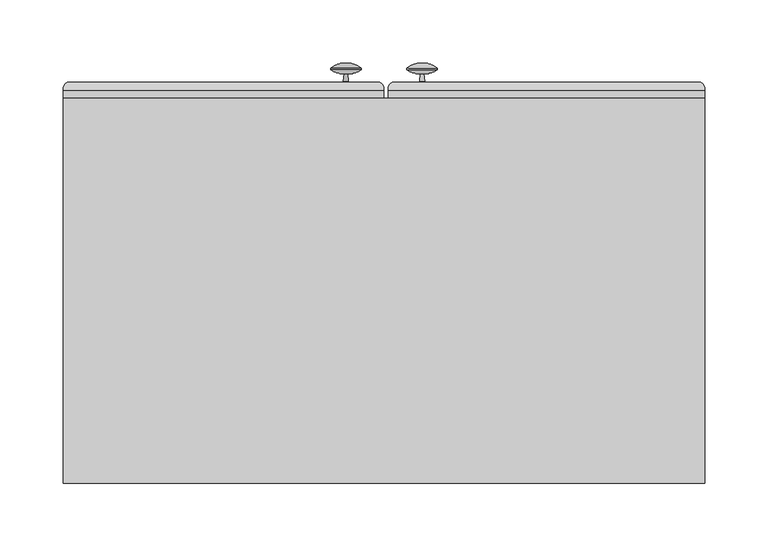
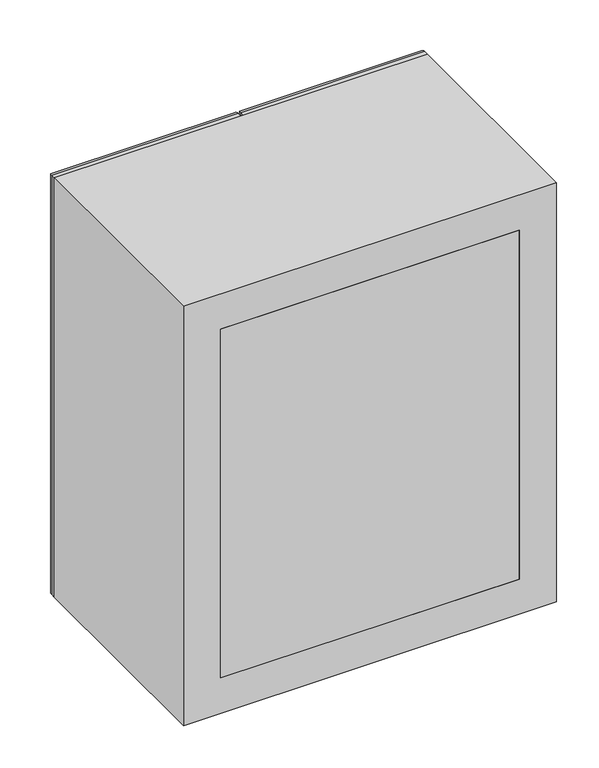
"""IFC4 building model written with IfcOpenShell, lengths in millimetres: furniture geometry."""

from ifc_helpers import new_model, si_unit, point, frame, frame_2d, origin, place, context, project, spatial, polyline, circle_curve, ellipse_curve, trimmed, segment, composite_curve, outline, extrude, source, transform, mapped, element, save
from ifc_brep_helpers import plane_surface, cylinder_surface, revolved_surface, advanced_brep


def furniture_5b2b3ca4(model_context):
    return source(origin(), model_context, "Body", "SolidModel", [
        extrude(outline(polyline([(-274.7654395, 358.775), (131.6345605, 358.775), (131.6345605, 352.425), (-274.7654395, 352.425), (-274.7654395, 358.775)])), frame((0.0, 0.0, 1574.8), z_axis=(0.0, 0.0, 1.0), x_axis=(1.0, 0.0, 0.0)), (0.0, 0.0, 1.0), 501.65),
        extrude(outline(polyline([(131.6345605, 53.975), (-274.7654395, 53.975), (-274.7654395, 73.025), (131.6345605, 73.025), (131.6345605, 53.975)])), frame((0.0, 0.0, 1574.8), z_axis=(0.0, 0.0, 1.0), x_axis=(1.0, 0.0, 0.0)), (0.0, 0.0, 1.0), 501.65),
        extrude(outline(polyline([(2127.25, -325.5654395), (1524.0, -325.5654395), (1524.0, 182.4345605), (2127.25, 182.4345605), (2127.25, -325.5654395)]), holes=[polyline([(2076.45, -274.7654395), (2076.45, 131.6345605), (1574.8, 131.6345605), (1574.8, -274.7654395), (2076.45, -274.7654395)])]), frame((0.0, 53.975, 0.0), z_axis=(0.0, 1.0, 0.0), x_axis=(0.0, 0.0, 1.0)), (0.0, 0.0, 1.0), 304.8),
        extrude(outline(composite_curve([segment(trimmed(circle_curve(frame_2d((-298.4199247, 365.7269975)), 7.0487113), [point((-294.3401211, 371.475))], [point((-291.3969674, 365.125))], False, "CARTESIAN"), True, "CONTINUOUS"), segment(polyline([(-291.3969674, 365.125), (-291.3969674, 358.775), (-310.4469674, 358.775), (-310.4469674, 365.125)]), True, "CONTINUOUS"), segment(trimmed(circle_curve(frame_2d((-303.4240101, 365.7269975)), 7.0487113), [point((-310.4469674, 365.125))], [point((-307.5038137, 371.475))], False, "CARTESIAN"), True, "CONTINUOUS"), segment(polyline([(-307.5038137, 371.475), (-294.3401211, 371.475)]), True, "CONTINUOUS")], self_intersect=False)), frame((0.0, 0.0, 1569.2911459), z_axis=(0.0, 0.0, 1.0), x_axis=(1.0, 0.0, 0.0)), (0.0, 0.0, 1.0), 510.2809368),
        extrude(outline(composite_curve([segment(polyline([(371.475, 1834.7342241), (371.475, 1821.5705316)]), True, "CONTINUOUS"), segment(trimmed(circle_curve(frame_2d((365.7269975, 1825.6503351)), 7.0487113), [point((371.475, 1821.5705316))], [point((365.125, 1818.6273778))], False, "CARTESIAN"), True, "CONTINUOUS"), segment(polyline([(365.125, 1818.6273778), (358.775, 1818.6273778), (358.775, 1837.6773778), (365.125, 1837.6773778)]), True, "CONTINUOUS"), segment(trimmed(circle_curve(frame_2d((365.7269975, 1830.6544205)), 7.0487113), [point((365.125, 1837.6773778))], [point((371.475, 1834.7342241))], False, "CARTESIAN"), True, "CONTINUOUS")], self_intersect=False)), frame((-277.9155794, 0.0, 0.0), z_axis=(1.0, 0.0, 0.0), x_axis=(0.0, 1.0, 0.0)), (0.0, 0.0, 1.0), 158.7002798),
        extrude(outline(composite_curve([segment(polyline([(371.475, 1834.9261538), (371.475, 1821.7624613)]), True, "CONTINUOUS"), segment(trimmed(circle_curve(frame_2d((365.7269975, 1825.8422648)), 7.0487113), [point((371.475, 1821.7624613))], [point((365.125, 1818.8193075))], False, "CARTESIAN"), True, "CONTINUOUS"), segment(polyline([(365.125, 1818.8193075), (358.775, 1818.8193075), (358.775, 1837.8693075), (365.125, 1837.8693075)]), True, "CONTINUOUS"), segment(trimmed(circle_curve(frame_2d((365.7269975, 1830.8463502)), 7.0487113), [point((365.125, 1837.8693075))], [point((371.475, 1834.9261538))], False, "CARTESIAN"), True, "CONTINUOUS")], self_intersect=False)), frame((-20.7654395, 0.0, 0.0), z_axis=(1.0, 0.0, 0.0), x_axis=(0.0, 1.0, 0.0)), (0.0, 0.0, 1.0), 155.575),
        extrude(outline(composite_curve([segment(trimmed(circle_curve(frame_2d((161.6134605, 365.7269975)), 7.0487113), [point((165.6932641, 371.475))], [point((168.6364178, 365.125))], False, "CARTESIAN"), True, "CONTINUOUS"), segment(polyline([(168.6364178, 365.125), (168.6364178, 358.775), (149.5864178, 358.775), (149.5864178, 365.125)]), True, "CONTINUOUS"), segment(trimmed(circle_curve(frame_2d((156.6093751, 365.7269975)), 7.0487113), [point((149.5864178, 365.125))], [point((152.5295715, 371.475))], False, "CARTESIAN"), True, "CONTINUOUS"), segment(polyline([(152.5295715, 371.475), (165.6932641, 371.475)]), True, "CONTINUOUS")], self_intersect=False)), frame((0.0, 0.0, 1571.625), z_axis=(0.0, 0.0, 1.0), x_axis=(1.0, 0.0, 0.0)), (0.0, 0.0, 1.0), 508.0),
        advanced_brep(
        [(-71.5902996, 365.125, 1524.0248601), (-74.7652996, 371.475, 1527.1998601), (-74.7652996, 371.475, 2124.0501399), (-71.5902996, 365.125, 2127.2251399), (-71.5902996, 358.775, 1524.0248601), (-71.5902996, 358.775, 2127.2251399), (-122.3902996, 365.125, 1574.8248601), (-122.3902996, 358.775, 1574.8248601), (-122.3902996, 358.775, 2076.4251399), (-122.3902996, 365.125, 2076.4251399), (-119.2152996, 371.475, 1571.6498601), (-119.2152996, 371.475, 2079.6001399), (-322.3655794, 371.475, 2124.0501399), (-325.5405794, 365.125, 2127.2251399), (-325.5405794, 358.775, 2127.2251399), (-274.7405794, 358.775, 2076.4251399), (-274.7405794, 365.125, 2076.4251399), (-277.9155794, 371.475, 2079.6001399), (-322.3655794, 371.475, 1527.1998601), (-325.5405794, 365.125, 1524.0248601), (-325.5405794, 358.775, 1524.0248601), (-274.7405794, 358.775, 1574.8248601), (-274.7405794, 365.125, 1574.8248601), (-277.9155794, 371.475, 1571.6498601)],
        [
            (0, 1, ellipse_curve(frame((-78.3659006, 365.7059495, 1530.8004611), z_axis=(0.7071067811865475, 0.0, 0.7071067811865475), x_axis=(0.7071067811865474, 0.0, -0.7071067811865476)), 9.6173043, 6.8004611)),
            (1, 2),
            (2, 3, ellipse_curve(frame((-78.3659006, 365.7059495, 2120.4495389), z_axis=(0.7071067811865475, 0.0, -0.7071067811865475), x_axis=(-0.7071067811865474, 0.0, -0.7071067811865476)), 9.6173043, 6.8004611)),
            (3, 0),
            (4, 0),
            (3, 5),
            (5, 4),
            (6, 7),
            (7, 8),
            (8, 9),
            (9, 6),
            (10, 6, ellipse_curve(frame((-115.6146986, 365.7059495, 1568.0492591), z_axis=(0.7071067811865475, 0.0, 0.7071067811865475), x_axis=(0.7071067811865474, 0.0, -0.7071067811865476)), 9.6173043, 6.8004611)),
            (9, 11, ellipse_curve(frame((-115.6146986, 365.7059495, 2083.2007409), z_axis=(0.7071067811865475, 0.0, -0.7071067811865475), x_axis=(-0.7071067811865474, 0.0, -0.7071067811865476)), 9.6173043, 6.8004611)),
            (11, 10),
            (2, 12),
            (12, 13, ellipse_curve(frame((-318.7649784, 365.7059495, 2120.4495389), z_axis=(0.7071067811865475, 0.0, 0.7071067811865475), x_axis=(0.7071067811865476, 0.0, -0.7071067811865474)), 9.6173043, 6.8004611)),
            (13, 3),
            (13, 14),
            (14, 5),
            (8, 15),
            (15, 16),
            (16, 9),
            (16, 17, ellipse_curve(frame((-281.5161804, 365.7059495, 2083.2007409), z_axis=(0.7071067811865475, 0.0, 0.7071067811865475), x_axis=(0.7071067811865476, 0.0, -0.7071067811865474)), 9.6173043, 6.8004611)),
            (17, 11),
            (12, 18),
            (18, 19, ellipse_curve(frame((-318.7649784, 365.7059495, 1530.8004611), z_axis=(-0.7071067811865475, 0.0, 0.7071067811865475), x_axis=(0.7071067811865474, 0.0, 0.7071067811865476)), 9.6173043, 6.8004611)),
            (19, 13),
            (19, 20),
            (20, 14),
            (15, 21),
            (21, 22),
            (22, 16),
            (22, 23, ellipse_curve(frame((-281.5161804, 365.7059495, 1568.0492591), z_axis=(-0.7071067811865475, 0.0, 0.7071067811865475), x_axis=(0.7071067811865474, 0.0, 0.7071067811865476)), 9.6173043, 6.8004611)),
            (23, 17),
            (18, 1),
            (0, 19),
            (4, 20),
            (7, 21),
            (6, 22),
            (10, 23),
        ],
        [
            cylinder_surface(frame((-78.3659006, 365.7059495, 1574.8), z_axis=(0.0, 0.0, -1.0), x_axis=(1.0, 0.0, 0.0)), 6.8004611),
            plane_surface(frame((-71.5902996, 365.125, 1524.0248601), z_axis=(1.0, 0.0, 0.0), x_axis=(0.0, 0.0, 1.0))),
            plane_surface(frame((-122.3902996, 358.775, 1574.8248601), z_axis=(-1.0, 0.0, 0.0), x_axis=(0.0, 0.0, 1.0))),
            cylinder_surface(frame((-115.6146986, 365.7059495, 1574.8), z_axis=(0.0, 0.0, -1.0), x_axis=(1.0, 0.0, 0.0)), 6.8004611),
            cylinder_surface(frame((-122.3654395, 365.7059495, 2120.4495389), z_axis=(1.0, 0.0, 0.0), x_axis=(0.0, 0.0, 1.0)), 6.8004611),
            plane_surface(frame((-71.5902996, 365.125, 2127.2251399), z_axis=(0.0, 0.0, 1.0), x_axis=(-1.0, 0.0, 0.0))),
            plane_surface(frame((-122.3902996, 358.775, 2076.4251399), z_axis=(0.0, 0.0, -1.0), x_axis=(-1.0, 0.0, 0.0))),
            cylinder_surface(frame((-122.3654395, 365.7059495, 2083.2007409), z_axis=(1.0, 0.0, 0.0), x_axis=(0.0, 0.0, 1.0)), 6.8004611),
            cylinder_surface(frame((-318.7649784, 365.7059495, 2076.45), z_axis=(0.0, 0.0, 1.0), x_axis=(-1.0, 0.0, 0.0)), 6.8004611),
            plane_surface(frame((-325.5405794, 365.125, 2127.2251399), z_axis=(-1.0, 0.0, 0.0), x_axis=(0.0, 0.0, -1.0))),
            plane_surface(frame((-274.7405794, 358.775, 2076.4251399), z_axis=(1.0, 0.0, 0.0), x_axis=(0.0, 0.0, -1.0))),
            cylinder_surface(frame((-281.5161804, 365.7059495, 2076.45), z_axis=(0.0, 0.0, 1.0), x_axis=(-1.0, 0.0, 0.0)), 6.8004611),
            cylinder_surface(frame((-274.7654395, 365.7059495, 1530.8004611), z_axis=(-1.0, 0.0, 0.0), x_axis=(0.0, 0.0, -1.0)), 6.8004611),
            plane_surface(frame((-325.5405794, 365.125, 1524.0248601), z_axis=(0.0, 0.0, -1.0), x_axis=(1.0, 0.0, 0.0))),
            plane_surface(frame((-325.5405794, 358.775, 1524.0248601), z_axis=(0.0, -1.0, 0.0), x_axis=(1.0, 0.0, 0.0))),
            plane_surface(frame((-274.7405794, 358.775, 1574.8248601), z_axis=(0.0, 0.0, 1.0), x_axis=(1.0, 0.0, 0.0))),
            cylinder_surface(frame((-274.7654395, 365.7059495, 1568.0492591), z_axis=(-1.0, 0.0, 0.0), x_axis=(0.0, 0.0, -1.0)), 6.8004611),
            plane_surface(frame((-277.9155794, 371.475, 1571.6498601), z_axis=(0.0, 1.0, 0.0), x_axis=(1.0, 0.0, 0.0))),
        ],
        [
            (0, [[1, 2, 3, 4]]),
            (1, [[5, -4, 6, 7]]),
            (2, [[8, 9, 10, 11]]),
            (3, [[12, -11, 13, 14]]),
            (4, [[-3, 15, 16, 17]]),
            (5, [[-6, -17, 18, 19]]),
            (6, [[-10, 20, 21, 22]]),
            (7, [[-13, -22, 23, 24]]),
            (8, [[-16, 25, 26, 27]]),
            (9, [[-18, -27, 28, 29]]),
            (10, [[-21, 30, 31, 32]]),
            (11, [[-23, -32, 33, 34]]),
            (12, [[-26, 35, -1, 36]]),
            (13, [[-28, -36, -5, 37]]),
            (14, [[-19, -29, -37, -7], [38, -30, -20, -9]]),
            (15, [[-31, -38, -8, 39]]),
            (16, [[-33, -39, -12, 40]]),
            (17, [[-35, -25, -15, -2], [-24, -34, -40, -14]]),
        ],
    ),
        advanced_brep(
        [(-68.3904395, 365.125, 2127.25), (-65.2154395, 371.475, 2124.075), (-65.2154395, 371.475, 1527.175), (-68.3904395, 365.125, 1524.0), (-68.3904395, 358.775, 2127.25), (-68.3904395, 358.775, 1524.0), (-17.5904395, 365.125, 2076.45), (-17.5904395, 358.775, 2076.45), (-17.5904395, 358.775, 1574.8), (-17.5904395, 365.125, 1574.8), (-20.7654395, 371.475, 2079.625), (-20.7654395, 371.475, 1571.625), (179.2595605, 371.475, 1527.175), (182.4345605, 365.125, 1524.0), (182.4345605, 358.775, 1524.0), (131.6345605, 358.775, 1574.8), (131.6345605, 365.125, 1574.8), (134.8095605, 371.475, 1571.625), (179.2595605, 371.475, 2124.075), (182.4345605, 365.125, 2127.25), (182.4345605, 358.775, 2127.25), (131.6345605, 358.775, 2076.45), (131.6345605, 365.125, 2076.45), (134.8095605, 371.475, 2079.625)],
        [
            (0, 1, ellipse_curve(frame((-61.6148385, 365.7059495, 2120.474399), z_axis=(-0.7071067811865475, 0.0, -0.7071067811865475), x_axis=(-0.7071067811865474, 0.0, 0.7071067811865476)), 9.6173043, 6.8004611)),
            (1, 2),
            (2, 3, ellipse_curve(frame((-61.6148385, 365.7059495, 1530.775601), z_axis=(-0.7071067811865475, 0.0, 0.7071067811865475), x_axis=(0.7071067811865474, 0.0, 0.7071067811865476)), 9.6173043, 6.8004611)),
            (3, 0),
            (4, 0),
            (3, 5),
            (5, 4),
            (6, 7),
            (7, 8),
            (8, 9),
            (9, 6),
            (10, 6, ellipse_curve(frame((-24.3660405, 365.7059495, 2083.225601), z_axis=(-0.7071067811865475, 0.0, -0.7071067811865475), x_axis=(-0.7071067811865474, 0.0, 0.7071067811865476)), 9.6173043, 6.8004611)),
            (9, 11, ellipse_curve(frame((-24.3660405, 365.7059495, 1568.024399), z_axis=(-0.7071067811865475, 0.0, 0.7071067811865475), x_axis=(0.7071067811865474, 0.0, 0.7071067811865476)), 9.6173043, 6.8004611)),
            (11, 10),
            (2, 12),
            (12, 13, ellipse_curve(frame((175.6589595, 365.7059495, 1530.775601), z_axis=(-0.7071067811865475, 0.0, -0.7071067811865475), x_axis=(-0.7071067811865476, 0.0, 0.7071067811865474)), 9.6173043, 6.8004611)),
            (13, 3),
            (13, 14),
            (14, 5),
            (8, 15),
            (15, 16),
            (16, 9),
            (16, 17, ellipse_curve(frame((138.4101615, 365.7059495, 1568.024399), z_axis=(-0.7071067811865475, 0.0, -0.7071067811865475), x_axis=(-0.7071067811865476, 0.0, 0.7071067811865474)), 9.6173043, 6.8004611)),
            (17, 11),
            (12, 18),
            (18, 19, ellipse_curve(frame((175.6589595, 365.7059495, 2120.474399), z_axis=(0.7071067811865475, 0.0, -0.7071067811865475), x_axis=(-0.7071067811865474, 0.0, -0.7071067811865476)), 9.6173043, 6.8004611)),
            (19, 13),
            (19, 20),
            (20, 14),
            (15, 21),
            (21, 22),
            (22, 16),
            (22, 23, ellipse_curve(frame((138.4101615, 365.7059495, 2083.225601), z_axis=(0.7071067811865475, 0.0, -0.7071067811865475), x_axis=(-0.7071067811865474, 0.0, -0.7071067811865476)), 9.6173043, 6.8004611)),
            (23, 17),
            (18, 1),
            (0, 19),
            (4, 20),
            (7, 21),
            (6, 22),
            (10, 23),
        ],
        [
            cylinder_surface(frame((-61.6148385, 365.7059495, 2076.45), z_axis=(0.0, 0.0, 1.0), x_axis=(-1.0, 0.0, 0.0)), 6.8004611),
            plane_surface(frame((-68.3904395, 365.125, 2127.25), z_axis=(-1.0, 0.0, 0.0), x_axis=(0.0, 0.0, -1.0))),
            plane_surface(frame((-17.5904395, 358.775, 2076.45), z_axis=(1.0, 0.0, 0.0), x_axis=(0.0, 0.0, -1.0))),
            cylinder_surface(frame((-24.3660405, 365.7059495, 2076.45), z_axis=(0.0, 0.0, 1.0), x_axis=(-1.0, 0.0, 0.0)), 6.8004611),
            cylinder_surface(frame((-17.5904395, 365.7059495, 1530.775601), z_axis=(-1.0, 0.0, 0.0), x_axis=(0.0, 0.0, -1.0)), 6.8004611),
            plane_surface(frame((-68.3904395, 365.125, 1524.0), z_axis=(0.0, 0.0, -1.0), x_axis=(1.0, 0.0, 0.0))),
            plane_surface(frame((-17.5904395, 358.775, 1574.8), z_axis=(0.0, 0.0, 1.0), x_axis=(1.0, 0.0, 0.0))),
            cylinder_surface(frame((-17.5904395, 365.7059495, 1568.024399), z_axis=(-1.0, 0.0, 0.0), x_axis=(0.0, 0.0, -1.0)), 6.8004611),
            cylinder_surface(frame((175.6589595, 365.7059495, 1574.8), z_axis=(0.0, 0.0, -1.0), x_axis=(1.0, 0.0, 0.0)), 6.8004611),
            plane_surface(frame((182.4345605, 365.125, 1524.0), z_axis=(1.0, 0.0, 0.0), x_axis=(0.0, 0.0, 1.0))),
            plane_surface(frame((131.6345605, 358.775, 1574.8), z_axis=(-1.0, 0.0, 0.0), x_axis=(0.0, 0.0, 1.0))),
            cylinder_surface(frame((138.4101615, 365.7059495, 1574.8), z_axis=(0.0, 0.0, -1.0), x_axis=(1.0, 0.0, 0.0)), 6.8004611),
            cylinder_surface(frame((131.6345605, 365.7059495, 2120.474399), z_axis=(1.0, 0.0, 0.0), x_axis=(0.0, 0.0, 1.0)), 6.8004611),
            plane_surface(frame((182.4345605, 365.125, 2127.25), z_axis=(0.0, 0.0, 1.0), x_axis=(-1.0, 0.0, 0.0))),
            plane_surface(frame((182.4345605, 358.775, 2127.25), z_axis=(0.0, -1.0, 0.0), x_axis=(-1.0, 0.0, 0.0))),
            plane_surface(frame((131.6345605, 358.775, 2076.45), z_axis=(0.0, 0.0, -1.0), x_axis=(-1.0, 0.0, 0.0))),
            cylinder_surface(frame((131.6345605, 365.7059495, 2083.225601), z_axis=(1.0, 0.0, 0.0), x_axis=(0.0, 0.0, 1.0)), 6.8004611),
            plane_surface(frame((134.8095605, 371.475, 2079.625), z_axis=(0.0, 1.0, 0.0), x_axis=(-1.0, 0.0, 0.0))),
        ],
        [
            (0, [[1, 2, 3, 4]]),
            (1, [[5, -4, 6, 7]]),
            (2, [[8, 9, 10, 11]]),
            (3, [[12, -11, 13, 14]]),
            (4, [[-3, 15, 16, 17]]),
            (5, [[-6, -17, 18, 19]]),
            (6, [[-10, 20, 21, 22]]),
            (7, [[-13, -22, 23, 24]]),
            (8, [[-16, 25, 26, 27]]),
            (9, [[-18, -27, 28, 29]]),
            (10, [[-21, 30, 31, 32]]),
            (11, [[-23, -32, 33, 34]]),
            (12, [[-26, 35, -1, 36]]),
            (13, [[-28, -36, -5, 37]]),
            (14, [[-19, -29, -37, -7], [38, -30, -20, -9]]),
            (15, [[-31, -38, -8, 39]]),
            (16, [[-33, -39, -12, 40]]),
            (17, [[-35, -25, -15, -2], [-24, -34, -40, -14]]),
        ],
    ),
        advanced_brep(
        [(-103.0183118, 378.4526003, 1583.5590145), (-100.4037014, 378.4526003, 1583.5590145), (-99.7684205, 372.4083067, 1583.5590145), (-103.6535926, 372.4083067, 1583.5590145), (-113.7619206, 381.5332805, 1583.5590145), (-89.6600926, 381.5332805, 1583.5590145), (-113.7619206, 382.592055, 1583.5590145), (-89.6600926, 382.592055, 1583.5590145), (-101.7110066, 386.6453853, 1583.5590145), (-101.7110066, 372.4083067, 1583.5590145)],
        [
            (0, 1, circle_curve(frame((-101.7110066, 378.4526003, 1583.5590145), z_axis=(0.0, -1.0, 0.0), x_axis=(1.0, 0.0, 0.0)), 1.3073052)),
            (1, 2),
            (2, 3, circle_curve(frame((-101.7110066, 372.4083067, 1583.5590145), z_axis=(0.0, 1.0, 0.0), x_axis=(1.0, 0.0, 0.0)), 1.9425861)),
            (3, 0),
            (1, 0, circle_curve(frame((-101.7110066, 378.4526003, 1583.5590145), z_axis=(0.0, -1.0, 0.0), x_axis=(1.0, 0.0, 0.0)), 1.3073052)),
            (3, 2, circle_curve(frame((-101.7110066, 372.4083067, 1583.5590145), z_axis=(0.0, 1.0, 0.0), x_axis=(1.0, 0.0, 0.0)), 1.9425861)),
            (4, 5, circle_curve(frame((-101.7110066, 381.5332805, 1583.5590145), z_axis=(0.0, -1.0, 0.0), x_axis=(1.0, 0.0, 0.0)), 12.050914)),
            (5, 1, circle_curve(frame((-99.3341666, 394.9967375, 1583.5590145), z_axis=(0.0, 0.0, -1.0), x_axis=(-1.0, 0.0, 0.0)), 16.5786725)),
            (0, 4, circle_curve(frame((-104.0878466, 394.9967375, 1583.5590145), z_axis=(0.0, 0.0, -1.0), x_axis=(1.0, 0.0, 0.0)), 16.5786725)),
            (5, 4, circle_curve(frame((-101.7110066, 381.5332805, 1583.5590145), z_axis=(0.0, -1.0, 0.0), x_axis=(1.0, 0.0, 0.0)), 12.050914)),
            (6, 7, circle_curve(frame((-101.7110066, 382.592055, 1583.5590145), z_axis=(0.0, -1.0, 0.0), x_axis=(1.0, 0.0, 0.0)), 12.050914)),
            (7, 5),
            (4, 6),
            (7, 6, circle_curve(frame((-101.7110066, 382.592055, 1583.5590145), z_axis=(0.0, -1.0, 0.0), x_axis=(1.0, 0.0, 0.0)), 12.050914)),
            (8, 7, circle_curve(frame((-100.5227543, 370.2372775, 1583.5590145), z_axis=(0.0, 0.0, -1.0), x_axis=(-1.0, 0.0, 0.0)), 16.4510774)),
            (6, 8, circle_curve(frame((-102.8992589, 370.2372775, 1583.5590145), z_axis=(0.0, 0.0, -1.0), x_axis=(1.0, 0.0, 0.0)), 16.4510774)),
            (2, 9),
            (9, 3),
        ],
        [
            revolved_surface(polyline([(-99.7684205, 372.4083067, 1583.5590145), (-100.4037014, 378.4526003, 1583.5590145)]), (-101.7110066, 268.5634287, 1583.5590145), (0.0, 1.0, 0.0)),
            revolved_surface(trimmed(ellipse_curve(frame((-99.3341666, 394.9967375, 1583.5590145), z_axis=(0.0, 0.0, 1.0), x_axis=(-1.0, 0.0, 0.0)), 16.5786725, 16.5786725), [point((-100.4037014, 378.4526003, 1583.5590145))], [point((-89.6600926, 381.5332805, 1583.5590145))], True, "CARTESIAN"), (-101.7110066, 268.5634287, 1583.5590145), (0.0, 1.0, 0.0)),
            cylinder_surface(frame((-101.7110066, 268.5634287, 1583.5590145), z_axis=(0.0, 1.0, 0.0), x_axis=(1.0, 0.0, 0.0)), 12.050914),
            revolved_surface(trimmed(ellipse_curve(frame((-100.5227543, 370.2372775, 1583.5590145), z_axis=(0.0, 0.0, 1.0), x_axis=(-1.0, 0.0, 0.0)), 16.4510774, 16.4510774), [point((-89.6600926, 382.592055, 1583.5590145))], [point((-101.7110066, 386.6453853, 1583.5590145))], True, "CARTESIAN"), (-101.7110066, 268.5634287, 1583.5590145), (0.0, 1.0, 0.0)),
            plane_surface(frame((-101.7110066, 372.4083067, 1583.5590145), z_axis=(0.0, -1.0, 0.0), x_axis=(1.0, 0.0, 0.0))),
        ],
        [
            (0, [[1, 2, 3, 4]]),
            (0, [[5, -4, 6, -2]]),
            (1, [[7, 8, -1, 9]]),
            (1, [[10, -9, -5, -8]]),
            (2, [[11, 12, -7, 13]]),
            (2, [[14, -13, -10, -12]]),
            (3, [[15, -11, 16]]),
            (3, [[-16, -14, -15]]),
            (4, [[-3, 17, 18]]),
            (4, [[-6, -18, -17]]),
        ],
    ),
        advanced_brep(
        [(-41.4198724, 372.4083067, 1583.5590145), (-43.3624584, 372.4083067, 1583.5590145), (-39.4772863, 372.4083067, 1583.5590145), (-29.3689583, 382.592055, 1583.5590145), (-53.4707864, 382.592055, 1583.5590145), (-41.4198724, 386.6453853, 1583.5590145), (-29.3689583, 381.5332805, 1583.5590145), (-53.4707864, 381.5332805, 1583.5590145), (-40.1125672, 378.4526003, 1583.5590145), (-42.7271776, 378.4526003, 1583.5590145)],
        [
            (0, 1),
            (1, 2, circle_curve(frame((-41.4198724, 372.4083067, 1583.5590145), z_axis=(0.0, -1.0, 0.0), x_axis=(-1.0, 0.0, 0.0)), 1.9425861)),
            (2, 0),
            (2, 1, circle_curve(frame((-41.4198724, 372.4083067, 1583.5590145), z_axis=(0.0, -1.0, 0.0), x_axis=(-1.0, 0.0, 0.0)), 1.9425861)),
            (3, 4, circle_curve(frame((-41.4198724, 382.592055, 1583.5590145), z_axis=(0.0, 1.0, 0.0), x_axis=(-1.0, 0.0, 0.0)), 12.050914)),
            (4, 5, circle_curve(frame((-42.6081246, 370.2372775, 1583.5590145), z_axis=(0.0, 0.0, -1.0), x_axis=(1.0, 0.0, 0.0)), 16.4510774)),
            (5, 3, circle_curve(frame((-40.2316201, 370.2372775, 1583.5590145), z_axis=(0.0, 0.0, -1.0), x_axis=(-1.0, 0.0, 0.0)), 16.4510774)),
            (4, 3, circle_curve(frame((-41.4198724, 382.592055, 1583.5590145), z_axis=(0.0, 1.0, 0.0), x_axis=(-1.0, 0.0, 0.0)), 12.050914)),
            (6, 7, circle_curve(frame((-41.4198724, 381.5332805, 1583.5590145), z_axis=(0.0, 1.0, 0.0), x_axis=(-1.0, 0.0, 0.0)), 12.050914)),
            (7, 4),
            (3, 6),
            (7, 6, circle_curve(frame((-41.4198724, 381.5332805, 1583.5590145), z_axis=(0.0, 1.0, 0.0), x_axis=(-1.0, 0.0, 0.0)), 12.050914)),
            (8, 9, circle_curve(frame((-41.4198724, 378.4526003, 1583.5590145), z_axis=(0.0, 1.0, 0.0), x_axis=(-1.0, 0.0, 0.0)), 1.3073052)),
            (9, 7, circle_curve(frame((-43.7967124, 394.9967375, 1583.5590145), z_axis=(0.0, 0.0, -1.0), x_axis=(1.0, 0.0, 0.0)), 16.5786725)),
            (6, 8, circle_curve(frame((-39.0430323, 394.9967375, 1583.5590145), z_axis=(0.0, 0.0, -1.0), x_axis=(-1.0, 0.0, 0.0)), 16.5786725)),
            (9, 8, circle_curve(frame((-41.4198724, 378.4526003, 1583.5590145), z_axis=(0.0, 1.0, 0.0), x_axis=(-1.0, 0.0, 0.0)), 1.3073052)),
            (1, 9),
            (8, 2),
        ],
        [
            plane_surface(frame((-41.4198724, 372.4083067, 1583.5590145), z_axis=(0.0, -1.0, 0.0), x_axis=(-1.0, 0.0, 0.0))),
            revolved_surface(trimmed(ellipse_curve(frame((-42.6081246, 370.2372775, 1583.5590145), z_axis=(0.0, 0.0, 1.0), x_axis=(1.0, 0.0, 0.0)), 16.4510774, 16.4510774), [point((-41.4198724, 386.6453853, 1583.5590145))], [point((-53.4707864, 382.592055, 1583.5590145))], True, "CARTESIAN"), (-41.4198724, 290.7884287, 1583.5590145), (0.0, -1.0, 0.0)),
            cylinder_surface(frame((-41.4198724, 290.7884287, 1583.5590145), z_axis=(0.0, -1.0, 0.0), x_axis=(-1.0, 0.0, 0.0)), 12.050914),
            revolved_surface(trimmed(ellipse_curve(frame((-43.7967124, 394.9967375, 1583.5590145), z_axis=(0.0, 0.0, 1.0), x_axis=(1.0, 0.0, 0.0)), 16.5786725, 16.5786725), [point((-53.4707864, 381.5332805, 1583.5590145))], [point((-42.7271776, 378.4526003, 1583.5590145))], True, "CARTESIAN"), (-41.4198724, 290.7884287, 1583.5590145), (0.0, -1.0, 0.0)),
            revolved_surface(polyline([(-42.7271776, 378.4526003, 1583.5590145), (-43.3624584, 372.4083067, 1583.5590145)]), (-41.4198724, 290.7884287, 1583.5590145), (0.0, -1.0, 0.0)),
        ],
        [
            (0, [[1, 2, 3]]),
            (0, [[-3, 4, -1]]),
            (1, [[5, 6, 7]]),
            (1, [[8, -7, -6]]),
            (2, [[9, 10, -5, 11]]),
            (2, [[12, -11, -8, -10]]),
            (3, [[13, 14, -9, 15]]),
            (3, [[16, -15, -12, -14]]),
            (4, [[-2, 17, -13, 18]]),
            (4, [[-4, -18, -16, -17]]),
        ],
    ),
        extrude(outline(polyline([(131.6345605, 73.025), (-274.7654395, 73.025), (-274.7654395, 352.425), (131.6345605, 352.425), (131.6345605, 73.025)])), frame((0.0, 0.0, 1943.1), z_axis=(0.0, 0.0, 1.0), x_axis=(1.0, 0.0, 0.0)), (0.0, 0.0, 1.0), 6.35),
        extrude(outline(polyline([(131.6345605, 73.025), (-274.7654395, 73.025), (-274.7654395, 352.425), (131.6345605, 352.425), (131.6345605, 73.025)])), frame((0.0, 0.0, 1720.85), z_axis=(0.0, 0.0, 1.0), x_axis=(1.0, 0.0, 0.0)), (0.0, 0.0, 1.0), 6.35),
    ])


if __name__ == "__main__":
    model = new_model("IFC4")
    model_context = context("Model", 3, world=origin())
    ifc_project = project(units=[si_unit("LENGTHUNIT", "METRE", prefix="MILLI")], contexts=[model_context])
    site = spatial("IfcSite", under=ifc_project)
    building = spatial("IfcBuilding", under=site)
    placement = place(None, origin())
    furniture_shape = furniture_5b2b3ca4(model_context)
    element("IfcFurniture", 1, at=placement, inside=building, context=model_context, shape_type="MappedRepresentation", body=[
        mapped(furniture_shape, transform((0.0, 0.0, 0.0), x_axis=(1.0, 0.0, 0.0), y_axis=(0.0, 1.0, 0.0), z_axis=(0.0, 0.0, 1.0))),
    ])
    save(model, "model.ifc")
